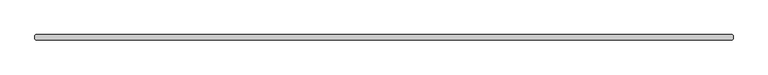
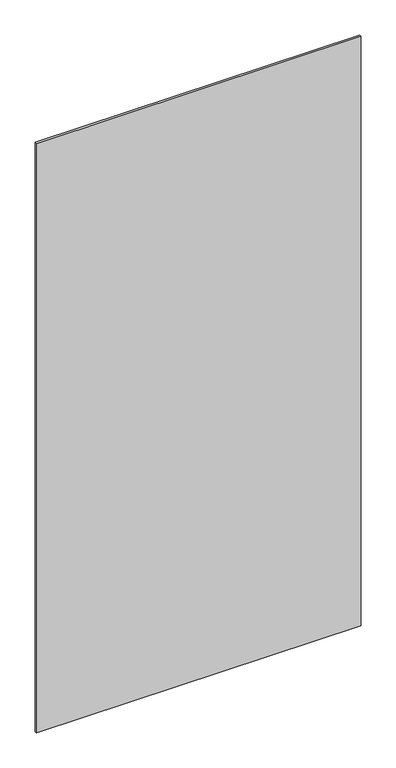
"""IFC4 building model written with IfcOpenShell, lengths in millimetres: plate geometry."""

from ifc_helpers import new_model, si_unit, origin, origin_with_axes, place, context, project, spatial, polyline, outline, extrude, source, transform, mapped, element, save


def plate_6e90be22(model_context):
    return source(origin(), model_context, "Body", "SweptSolid", [
        extrude(outline(polyline([(632.61875, -34.925), (-632.61875, -34.925), (-634.20625, -33.3375), (-634.20625, -26.9875), (-632.61875, -25.4), (632.61875, -25.4), (634.20625, -26.9875), (634.20625, -33.3375), (632.61875, -34.925)])), origin_with_axes(), (0.0, 0.0, 1.0), 2428.7789267),
    ])


if __name__ == "__main__":
    model = new_model("IFC4")
    model_context = context("Model", 3, world=origin())
    ifc_project = project(units=[si_unit("LENGTHUNIT", "METRE", prefix="MILLI")], contexts=[model_context])
    site = spatial("IfcSite", under=ifc_project)
    building = spatial("IfcBuilding", under=site)
    placement = place(None, origin())
    plate_shape = plate_6e90be22(model_context)
    element("IfcPlate", 1, at=placement, inside=building, context=model_context, shape_type="MappedRepresentation", body=[
        mapped(plate_shape, transform((0.0, 0.0, 0.0), x_axis=(1.0, 0.0, 0.0), y_axis=(0.0, 1.0, 0.0), z_axis=(0.0, 0.0, 1.0))),
    ])
    save(model, "model.ifc")
